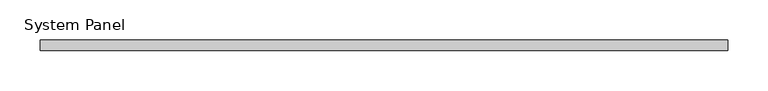
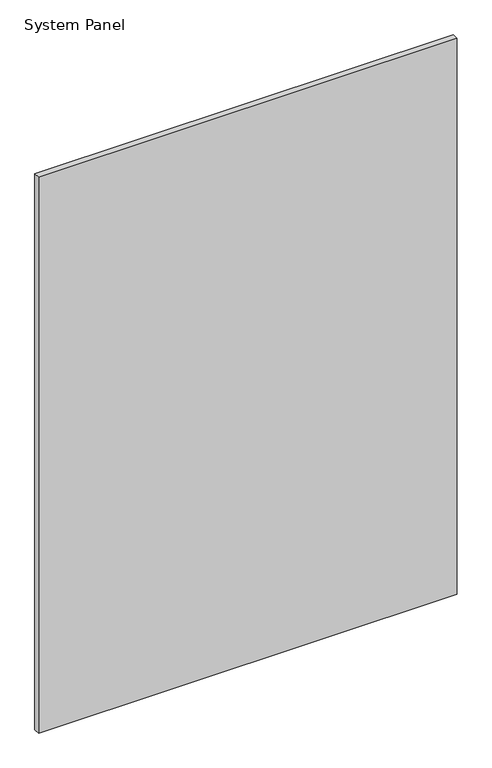
"""IFC4 building model written with IfcOpenShell, lengths in millimetres: plate geometry, System Panel."""

from ifc_helpers import new_model, si_unit, origin, origin_with_axes, place, context, project, spatial, polyline, outline, extrude, source, transform, mapped, element, save


def system_panel_66fb875e(model_context):
    return source(origin(), model_context, "Body", "SweptSolid", [
        extrude(outline(polyline([(425.45, -12.7), (-425.45, -12.7), (-425.45, 0.0), (425.45, 0.0), (425.45, -12.7)])), origin_with_axes(), (0.0, 0.0, 1.0), 1193.8),
    ])


if __name__ == "__main__":
    model = new_model("IFC4")
    model_context = context("Model", 3, world=origin())
    ifc_project = project(units=[si_unit("LENGTHUNIT", "METRE", prefix="MILLI")], contexts=[model_context])
    site = spatial("IfcSite", under=ifc_project)
    building = spatial("IfcBuilding", under=site)
    placement = place(None, origin())
    system_panel_shape = system_panel_66fb875e(model_context)
    element("IfcPlate", 1, ObjectType="System Panel", at=placement, inside=building, context=model_context, shape_type="MappedRepresentation", body=[
        mapped(system_panel_shape, transform((0.0, 0.0, 0.0), x_axis=(1.0, 0.0, 0.0), y_axis=(0.0, 1.0, 0.0), z_axis=(0.0, 0.0, 1.0))),
    ])
    save(model, "model.ifc")
